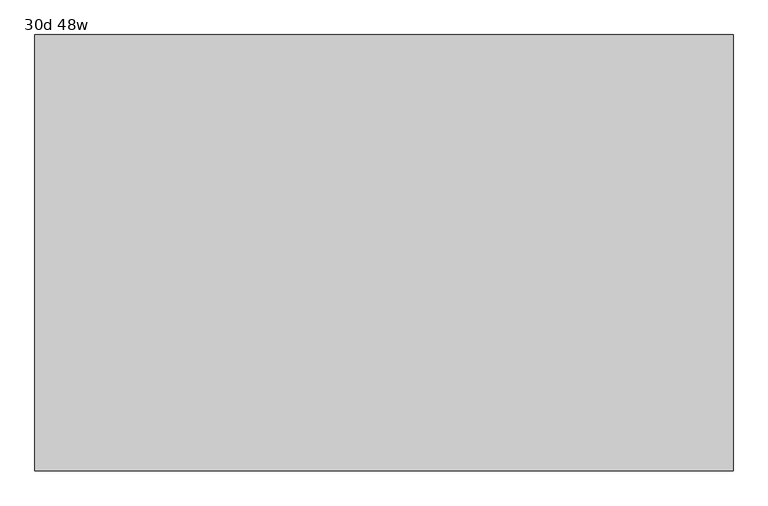
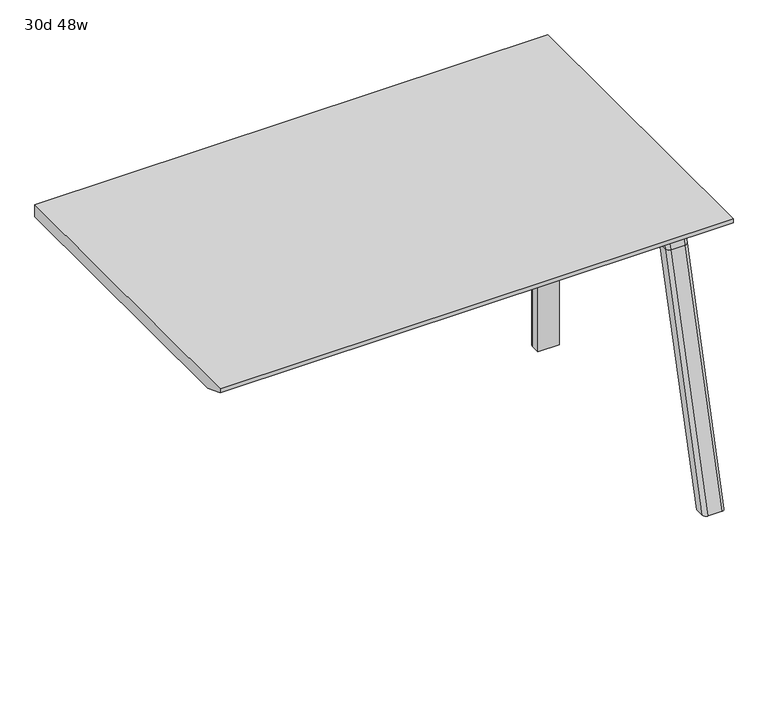
"""IFC4 building model written with IfcOpenShell, lengths in millimetres: furniture geometry, 30d 48w."""

from ifc_helpers import new_model, si_unit, point, frame, frame_2d, origin, place, context, project, spatial, polyline, circle_curve, ellipse_curve, trimmed, segment, composite_curve, outline, extrude, source, transform, mapped, element, save
from ifc_brep_helpers import plane_surface, cylinder_surface, revolved_surface, advanced_brep


def furniture_30d_48w_eabb901d(model_context):
    return source(origin(), model_context, "Body", "SolidModel", [
        extrude(outline(composite_curve([segment(polyline([(-258.4909766, 711.2), (-267.5490774, 677.3947076)]), True, "CONTINUOUS"), segment(trimmed(circle_curve(frame_2d((-282.8831499, 681.5034599)), 15.875), [point((-267.5490774, 677.3947076))], [point((-282.8831499, 665.6284599))], False, "CARTESIAN"), True, "CONTINUOUS"), segment(polyline([(-282.8831499, 665.6284599), (-705.5863033, 665.6284599)]), True, "CONTINUOUS"), segment(trimmed(circle_curve(frame_2d((-705.5863033, 681.5034599)), 15.875), [point((-705.5863033, 665.6284599))], [point((-720.9203758, 677.3947076))], False, "CARTESIAN"), True, "CONTINUOUS"), segment(polyline([(-720.9203758, 677.3947076), (-729.9784766, 711.2), (-258.4909766, 711.2)]), True, "CONTINUOUS")], self_intersect=False)), frame((774.7, 0.0, 0.0), z_axis=(1.0, 0.0, 0.0), x_axis=(0.0, 1.0, 0.0)), (0.0, 0.0, 1.0), 38.1),
        extrude(outline(polyline([(819.15, -318.8159766), (819.15, -669.6534766), (768.35, -669.6534766), (768.35, -318.8159766), (819.15, -318.8159766)])), frame((0.0, 0.0, 635.6476591), z_axis=(0.0, 0.0, 1.0), x_axis=(1.0, 0.0, 0.0)), (0.0, 0.0, 1.0), 29.9808008),
        advanced_brep(
        [(819.15, -258.4446478, 711.2), (819.15, -267.5027486, 677.3947076), (819.15, -282.8368211, 665.6284599), (819.15, -318.8159766, 665.6284599), (819.15, -318.8159766, 635.6476591), (819.15, -307.7034766, 635.6476591), (819.15, -256.9034766, 584.8476591), (819.15, -256.9034766, 576.659375), (819.15, -234.6784766, 576.659375), (819.15, -234.6784766, 711.2), (768.35, -256.9034766, 576.659375), (768.35, -256.9034766, 584.8476591), (768.35, -307.7034766, 635.6476591), (768.35, -318.8159766, 635.6476591), (768.35, -318.8159766, 665.6284599), (768.35, -282.8368211, 665.6284599), (768.35, -267.5027486, 677.3947076), (768.35, -258.4446478, 711.2), (768.35, -234.6784766, 711.2), (768.35, -234.6784766, 576.659375), (809.625, -225.1534766, 711.2), (777.875, -225.1534766, 711.2), (777.875, -225.1534766, 576.659375), (809.625, -225.1534766, 576.659375)],
        [
            (0, 1),
            (1, 2, circle_curve(frame((819.15, -282.8368211, 681.5034599), z_axis=(-1.0, 0.0, 0.0), x_axis=(0.0, 1.0, 0.0)), 15.875)),
            (2, 3),
            (3, 4),
            (4, 5),
            (5, 6, circle_curve(frame((819.15, -307.7034766, 584.8476591), z_axis=(-1.0, 0.0, 0.0), x_axis=(0.0, 1.0, 0.0)), 50.8)),
            (6, 7),
            (7, 8),
            (8, 9),
            (9, 0),
            (10, 11),
            (11, 12, circle_curve(frame((768.35, -307.7034766, 584.8476591), z_axis=(1.0, 0.0, 0.0), x_axis=(0.0, 1.0, 0.0)), 50.8)),
            (12, 13),
            (13, 14),
            (14, 15),
            (15, 16, circle_curve(frame((768.35, -282.8368211, 681.5034599), z_axis=(1.0, 0.0, 0.0), x_axis=(0.0, 1.0, 0.0)), 15.875)),
            (16, 17),
            (17, 18),
            (18, 19),
            (19, 10),
            (17, 0),
            (9, 20, circle_curve(frame((809.625, -234.6784766, 711.2), z_axis=(0.0, 0.0, 1.0), x_axis=(-1.0, 0.0, 0.0)), 9.525)),
            (20, 21),
            (21, 18, circle_curve(frame((777.875, -234.6784766, 711.2), z_axis=(0.0, 0.0, 1.0), x_axis=(-1.0, 0.0, 0.0)), 9.525)),
            (16, 1),
            (15, 2),
            (14, 3),
            (13, 4),
            (12, 5),
            (7, 10),
            (19, 22, circle_curve(frame((777.875, -234.6784766, 576.659375), z_axis=(0.0, 0.0, -1.0), x_axis=(-1.0, 0.0, 0.0)), 9.525)),
            (22, 23),
            (23, 8, circle_curve(frame((809.625, -234.6784766, 576.659375), z_axis=(0.0, 0.0, -1.0), x_axis=(-1.0, 0.0, 0.0)), 9.525)),
            (11, 6),
            (23, 20),
            (21, 22),
        ],
        [
            plane_surface(frame((819.15, -218.226947, 711.2), z_axis=(1.0, 0.0, 0.0), x_axis=(0.0, -1.0, 0.0))),
            plane_surface(frame((768.35, -218.226947, 711.2), z_axis=(-1.0, 0.0, 0.0), x_axis=(0.0, 1.0, 0.0))),
            plane_surface(frame((819.15, -218.226947, 711.2), z_axis=(0.0, 0.0, 1.0), x_axis=(-1.0, 0.0, 0.0))),
            plane_surface(frame((819.15, -258.4446478, 711.2), z_axis=(0.0, -0.9659258262890683, 0.2588190451025207), x_axis=(-1.0, 0.0, 0.0))),
            revolved_surface(polyline([(768.35, -266.9618211, 681.5034599), (819.15, -266.9618211, 681.5034599)]), (768.35, -282.8368211, 681.5034599), (-1.0, 0.0, 0.0)),
            plane_surface(frame((819.15, -282.8368211, 665.6284599), z_axis=(0.0, 0.0, 1.0), x_axis=(-1.0, 0.0, 0.0))),
            plane_surface(frame((819.15, -318.8159766, 665.6284599), z_axis=(0.0, -1.0, 0.0), x_axis=(-1.0, 0.0, 0.0))),
            plane_surface(frame((819.15, -318.8159766, 635.6476591), z_axis=(0.0, 0.0, -1.0), x_axis=(-1.0, 0.0, 0.0))),
            plane_surface(frame((819.15, -256.9034766, 576.659375), z_axis=(0.0, 0.0, -1.0), x_axis=(-1.0, 0.0, 0.0))),
            revolved_surface(polyline([(768.35, -256.9034766, 584.8476591), (819.15, -256.9034766, 584.8476591)]), (768.35, -307.7034766, 584.8476591), (-1.0, 0.0, 0.0)),
            plane_surface(frame((819.15, -256.9034766, 584.8476591), z_axis=(0.0, -1.0, 0.0), x_axis=(-1.0, 0.0, 0.0))),
            cylinder_surface(frame((809.625, -234.6784766, 524.9807374), z_axis=(0.0, 0.0, -1.0), x_axis=(-1.0, 0.0, 0.0)), 9.525),
            cylinder_surface(frame((777.875, -234.6784766, 524.9807374), z_axis=(0.0, 0.0, -1.0), x_axis=(-1.0, 0.0, 0.0)), 9.525),
            plane_surface(frame((777.875, -225.1534766, 711.2), z_axis=(0.0, 1.0, 0.0), x_axis=(0.0, 0.0, -1.0))),
        ],
        [
            (0, [[1, 2, 3, 4, 5, 6, 7, 8, 9, 10]]),
            (1, [[11, 12, 13, 14, 15, 16, 17, 18, 19, 20]]),
            (2, [[21, -10, 22, 23, 24, -18]]),
            (3, [[-1, -21, -17, 25]]),
            (4, [[-2, -25, -16, 26]]),
            (5, [[-3, -26, -15, 27]]),
            (6, [[-4, -27, -14, 28]]),
            (7, [[-5, -28, -13, 29]]),
            (8, [[30, -20, 31, 32, 33, -8]]),
            (9, [[-6, -29, -12, 34]]),
            (10, [[-7, -34, -11, -30]]),
            (11, [[35, -22, -9, -33]]),
            (12, [[36, -31, -19, -24]]),
            (13, [[-35, -32, -36, -23]]),
        ],
    ),
        advanced_brep(
        [(768.35, -256.9034766, 576.659375), (819.15, -256.9034766, 576.659375), (819.15, -234.6784766, 576.659375), (809.625, -225.1534766, 576.659375), (777.875, -225.1534766, 576.659375), (768.35, -234.6784766, 576.659375), (768.35, -256.9034766, 0.0), (768.35, -234.6784766, 0.0), (777.875, -225.1534766, 0.0), (809.625, -225.1534766, 0.0), (819.15, -234.6784766, 0.0), (819.15, -256.9034766, 0.0), (819.15, -234.6784766, 524.9807374), (809.625, -225.1534766, 524.9807374), (777.875, -225.1534766, 524.9807374), (768.35, -234.6784766, 524.9807374)],
        [
            (0, 1),
            (1, 2),
            (2, 3, circle_curve(frame((809.625, -234.6784766, 576.659375), z_axis=(0.0, 0.0, 1.0), x_axis=(-1.0, 0.0, 0.0)), 9.525)),
            (3, 4),
            (4, 5, circle_curve(frame((777.875, -234.6784766, 576.659375), z_axis=(0.0, 0.0, 1.0), x_axis=(-1.0, 0.0, 0.0)), 9.525)),
            (5, 0),
            (6, 7),
            (7, 8, circle_curve(frame((777.875, -234.6784766, 0.0), z_axis=(0.0, 0.0, -1.0), x_axis=(-1.0, 0.0, 0.0)), 9.525)),
            (8, 9),
            (9, 10, circle_curve(frame((809.625, -234.6784766, 0.0), z_axis=(0.0, 0.0, -1.0), x_axis=(-1.0, 0.0, 0.0)), 9.525)),
            (10, 11),
            (11, 6),
            (0, 6),
            (11, 1),
            (10, 12),
            (12, 2),
            (9, 13),
            (13, 3),
            (8, 14),
            (14, 4),
            (7, 15),
            (15, 5),
        ],
        [
            plane_surface(frame((826.3462903, -256.9034766, 576.659375), z_axis=(0.0, 0.0, 1.0), x_axis=(1.0, 0.0, 0.0))),
            plane_surface(frame((826.3462903, -256.9034766, 0.0), z_axis=(0.0, 0.0, -1.0), x_axis=(-1.0, 0.0, 0.0))),
            plane_surface(frame((768.35, -256.9034766, 576.659375), z_axis=(0.0, -1.0, 0.0), x_axis=(0.0, 0.0, -1.0))),
            plane_surface(frame((819.15, -256.9034766, 576.659375), z_axis=(1.0, 0.0, 0.0), x_axis=(0.0, 0.0, -1.0))),
            cylinder_surface(frame((809.625, -234.6784766, 0.0), z_axis=(0.0, 0.0, 1.0), x_axis=(-1.0, 0.0, 0.0)), 9.525),
            plane_surface(frame((809.625, -225.1534766, 576.659375), z_axis=(0.0, 1.0, 0.0), x_axis=(0.0, 0.0, -1.0))),
            cylinder_surface(frame((777.875, -234.6784766, 0.0), z_axis=(0.0, 0.0, 1.0), x_axis=(-1.0, 0.0, 0.0)), 9.525),
            plane_surface(frame((768.35, -234.6784766, 576.659375), z_axis=(-1.0, 0.0, 0.0), x_axis=(0.0, 0.0, -1.0))),
        ],
        [
            (0, [[1, 2, 3, 4, 5, 6]]),
            (1, [[7, 8, 9, 10, 11, 12]]),
            (2, [[-1, 13, -12, 14]]),
            (3, [[-2, -14, -11, 15, 16]]),
            (4, [[-3, -16, -15, -10, 17, 18]]),
            (5, [[-4, -18, -17, -9, 19, 20]]),
            (6, [[-5, -20, -19, -8, 21, 22]]),
            (7, [[-6, -22, -21, -7, -13]]),
        ],
    ),
        advanced_brep(
        [(768.35, -723.6748053, 711.2), (768.35, -714.6167045, 677.3947076), (768.35, -699.282632, 665.6284599), (768.35, -669.6534766, 665.6284599), (768.35, -669.6534766, 635.6476591), (768.35, -692.5247088, 635.6476591), (768.35, -756.9278133, 586.2294189), (768.35, -759.4860254, 576.6820411), (768.35, -780.5899953, 576.6820411), (768.35, -745.1413517, 711.2), (819.15, -759.4860254, 576.6820411), (819.15, -756.9278133, 586.2294189), (819.15, -692.5247088, 635.6476591), (819.15, -669.6534766, 635.6476591), (819.15, -669.6534766, 665.6284599), (819.15, -699.282632, 665.6284599), (819.15, -714.6167045, 677.3947076), (819.15, -723.6748053, 711.2), (819.15, -745.1413517, 711.2), (819.15, -780.5899953, 576.6820411), (774.6138162, -754.3961962, 711.2), (812.8861838, -754.3961962, 711.2), (809.625, -790.4401747, 576.6820411), (777.875, -790.4401747, 576.6820411)],
        [
            (0, 1),
            (1, 2, circle_curve(frame((768.35, -699.282632, 681.5034599), z_axis=(1.0, 0.0, 0.0), x_axis=(0.0, -1.0, 0.0)), 15.875)),
            (2, 3),
            (3, 4),
            (4, 5),
            (5, 6, circle_curve(frame((768.35, -692.5247088, 568.9726591), z_axis=(1.0, 0.0, 0.0), x_axis=(0.0, -1.0, 0.0)), 66.675)),
            (6, 7),
            (7, 8),
            (8, 9),
            (9, 0),
            (10, 11),
            (11, 12, circle_curve(frame((819.15, -692.5247088, 568.9726591), z_axis=(-1.0, 0.0, 0.0), x_axis=(0.0, -1.0, 0.0)), 66.675)),
            (12, 13),
            (13, 14),
            (14, 15),
            (15, 16, circle_curve(frame((819.15, -699.282632, 681.5034599), z_axis=(-1.0, 0.0, 0.0), x_axis=(0.0, -1.0, 0.0)), 15.875)),
            (16, 17),
            (17, 18),
            (18, 19),
            (19, 10),
            (17, 0),
            (9, 20, ellipse_curve(frame((777.875, -745.1413517, 711.2), z_axis=(0.0, 0.0, 1.0), x_axis=(0.0, -1.0, 0.0)), 9.8501793, 9.525)),
            (20, 21),
            (21, 18, ellipse_curve(frame((809.625, -745.1413517, 711.2), z_axis=(0.0, 0.0, 1.0), x_axis=(0.0, -1.0, 0.0)), 9.8501793, 9.525)),
            (16, 1),
            (15, 2),
            (14, 3),
            (13, 4),
            (12, 5),
            (11, 6),
            (10, 7),
            (19, 22, ellipse_curve(frame((809.625, -780.5899953, 576.6820411), z_axis=(0.0, 0.0, -1.0), x_axis=(0.0, -1.0, 0.0)), 9.8501793, 9.525)),
            (22, 23),
            (23, 8, ellipse_curve(frame((777.875, -780.5899953, 576.6820411), z_axis=(0.0, 0.0, -1.0), x_axis=(0.0, -1.0, 0.0)), 9.8501793, 9.525)),
            (20, 23, ellipse_curve(frame((777.875, -194.0704606, 2802.3641142), z_axis=(0.0, -0.9659258262890684, 0.2588190451025206), x_axis=(0.0, -0.2588190451025206, -0.9659258262890684)), 2304.1956354, 9.525)),
            (22, 21, ellipse_curve(frame((809.625, -194.0704606, 2802.3641142), z_axis=(0.0, -0.9659258262890684, 0.2588190451025206), x_axis=(0.0, -0.2588190451025206, -0.9659258262890684)), 2304.1956354, 9.525)),
        ],
        [
            plane_surface(frame((768.35, -754.3961962, 711.2), z_axis=(-1.0, 0.0, 0.0), x_axis=(0.0, 1.0, 0.0))),
            plane_surface(frame((819.15, -754.3961962, 711.2), z_axis=(1.0, 0.0, 0.0), x_axis=(0.0, -1.0, 0.0))),
            plane_surface(frame((768.35, -754.3961962, 711.2), z_axis=(0.0, 0.0, 1.0), x_axis=(1.0, 0.0, 0.0))),
            plane_surface(frame((768.35, -723.6748053, 711.2), z_axis=(0.0, 0.9659258262890683, 0.2588190451025207), x_axis=(1.0, 0.0, 0.0))),
            revolved_surface(polyline([(819.15, -715.157632, 681.5034599), (768.35, -715.157632, 681.5034599)]), (819.15, -699.282632, 681.5034599), (1.0, 0.0, 0.0)),
            plane_surface(frame((768.35, -699.282632, 665.6284599), z_axis=(0.0, 0.0, 1.0), x_axis=(1.0, 0.0, 0.0))),
            plane_surface(frame((768.35, -669.6534766, 665.6284599), z_axis=(0.0, 1.0, 0.0), x_axis=(1.0, 0.0, 0.0))),
            plane_surface(frame((768.35, -669.6534766, 635.6476591), z_axis=(0.0, 0.0, -1.0), x_axis=(1.0, 0.0, 0.0))),
            revolved_surface(polyline([(819.15, -759.1997087999999, 568.9726591), (768.35, -759.1997087999999, 568.9726591)]), (819.15, -692.5247088, 568.9726591), (1.0, 0.0, 0.0)),
            plane_surface(frame((768.35, -756.9278133, 586.2294189), z_axis=(0.0, 0.9659258262890693, -0.25881904510251696), x_axis=(1.0, 0.0, 0.0))),
            plane_surface(frame((768.35, -759.4860254, 576.6820411), z_axis=(0.0, 0.0, -1.0), x_axis=(1.0, 0.0, 0.0))),
            plane_surface(frame((768.35, -790.4401747, 576.6820411), z_axis=(0.0, -0.9659258262890684, 0.2588190451025206), x_axis=(1.0, 0.0, 0.0))),
            cylinder_surface(frame((777.875, -933.1988902, -2.4271979), z_axis=(0.0, -0.25482392474081483, -0.966987470125486), x_axis=(1.0, 0.0, 0.0)), 9.525),
            cylinder_surface(frame((809.625, -933.1988902, -2.4271979), z_axis=(0.0, -0.25482392474081483, -0.966987470125486), x_axis=(1.0, 0.0, 0.0)), 9.525),
        ],
        [
            (0, [[1, 2, 3, 4, 5, 6, 7, 8, 9, 10]]),
            (1, [[11, 12, 13, 14, 15, 16, 17, 18, 19, 20]]),
            (2, [[21, -10, 22, 23, 24, -18]]),
            (3, [[-1, -21, -17, 25]]),
            (4, [[-2, -25, -16, 26]]),
            (5, [[-3, -26, -15, 27]]),
            (6, [[-4, -27, -14, 28]]),
            (7, [[-5, -28, -13, 29]]),
            (8, [[-6, -29, -12, 30]]),
            (9, [[-7, -30, -11, 31]]),
            (10, [[-31, -20, 32, 33, 34, -8]]),
            (11, [[-23, 35, -33, 36]]),
            (12, [[-9, -34, -35, -22]]),
            (13, [[-19, -24, -36, -32]]),
        ],
    ),
        advanced_brep(
        [(768.35, -759.4860254, 576.6820411), (768.35, -911.4552966, 0.0), (768.35, -932.5592665, 0.0), (768.35, -780.5899953, 576.6820411), (819.15, -911.4552966, 0.0), (819.15, -759.4860254, 576.6820411), (819.15, -780.5899953, 576.6820411), (819.15, -932.5592665, 0.0), (777.875, -790.4401747, 576.6820411), (809.625, -790.4401747, 576.6820411), (809.625, -942.4094458, 0.0), (777.875, -942.4094458, 0.0)],
        [
            (0, 1),
            (1, 2),
            (2, 3),
            (3, 0),
            (4, 5),
            (5, 6),
            (6, 7),
            (7, 4),
            (5, 0),
            (3, 8, ellipse_curve(frame((777.875, -780.5899953, 576.6820411), z_axis=(0.0, 0.0, 1.0), x_axis=(0.0, -1.0, 0.0)), 9.8501793, 9.525)),
            (8, 9),
            (9, 6, ellipse_curve(frame((809.625, -780.5899953, 576.6820411), z_axis=(0.0, 0.0, 1.0), x_axis=(0.0, -1.0, 0.0)), 9.8501793, 9.525)),
            (4, 1),
            (7, 10, ellipse_curve(frame((809.625, -932.5592665, 0.0), z_axis=(0.0, 0.0, -1.0), x_axis=(0.0, -1.0, 0.0)), 9.8501793, 9.525)),
            (10, 11),
            (11, 2, ellipse_curve(frame((777.875, -932.5592665, 0.0), z_axis=(0.0, 0.0, -1.0), x_axis=(0.0, -1.0, 0.0)), 9.8501793, 9.525)),
            (8, 11),
            (10, 9),
        ],
        [
            plane_surface(frame((768.35, -790.4401747, 576.6820411), z_axis=(-1.0, 0.0, 0.0), x_axis=(0.0, 1.0, 0.0))),
            plane_surface(frame((819.15, -790.4401747, 576.6820411), z_axis=(1.0, 0.0, 0.0), x_axis=(0.0, -1.0, 0.0))),
            plane_surface(frame((768.35, -790.4401747, 576.6820411), z_axis=(0.0, 0.0, 1.0), x_axis=(1.0, 0.0, 0.0))),
            plane_surface(frame((768.35, -759.4860254, 576.6820411), z_axis=(0.0, 0.9669874701254844, -0.2548239247408208), x_axis=(1.0, 0.0, 0.0))),
            plane_surface(frame((768.35, -911.4552966, 0.0), z_axis=(0.0, 0.0, -1.0), x_axis=(1.0, 0.0, 0.0))),
            plane_surface(frame((768.35, -942.4094458, 0.0), z_axis=(0.0, -0.9669874701254855, 0.2548239247408166), x_axis=(1.0, 0.0, 0.0))),
            cylinder_surface(frame((777.875, -933.1988902, -2.4271979), z_axis=(0.0, -0.25482392474081483, -0.966987470125486), x_axis=(1.0, 0.0, 0.0)), 9.525),
            cylinder_surface(frame((809.625, -933.1988902, -2.4271979), z_axis=(0.0, -0.25482392474081483, -0.966987470125486), x_axis=(1.0, 0.0, 0.0)), 9.525),
        ],
        [
            (0, [[1, 2, 3, 4]]),
            (1, [[5, 6, 7, 8]]),
            (2, [[9, -4, 10, 11, 12, -6]]),
            (3, [[-1, -9, -5, 13]]),
            (4, [[-13, -8, 14, 15, 16, -2]]),
            (5, [[-11, 17, -15, 18]]),
            (6, [[-3, -16, -17, -10]]),
            (7, [[-7, -12, -18, -14]]),
        ],
    ),
        extrude(outline(polyline([(-961.7534766, 741.3625), (-199.7534766, 741.3625), (-199.7534766, 711.2), (-910.9534766, 711.2), (-961.7534766, 731.8375), (-961.7534766, 741.3625)])), frame((-393.7, 0.0, 0.0), z_axis=(1.0, 0.0, 0.0), x_axis=(0.0, 1.0, 0.0)), (0.0, 0.0, 1.0), 1219.2),
    ])


if __name__ == "__main__":
    model = new_model("IFC4")
    model_context = context("Model", 3, world=origin())
    ifc_project = project(units=[si_unit("LENGTHUNIT", "METRE", prefix="MILLI")], contexts=[model_context])
    site = spatial("IfcSite", under=ifc_project)
    building = spatial("IfcBuilding", under=site)
    placement = place(None, origin())
    furniture_30d_48w_shape = furniture_30d_48w_eabb901d(model_context)
    element("IfcFurniture", 1, ObjectType="30d 48w", at=placement, inside=building, context=model_context, shape_type="MappedRepresentation", body=[
        mapped(furniture_30d_48w_shape, transform((0.0, 0.0, 0.0), x_axis=(1.0, 0.0, 0.0), y_axis=(0.0, 1.0, 0.0), z_axis=(0.0, 0.0, 1.0))),
    ])
    save(model, "model.ifc")
